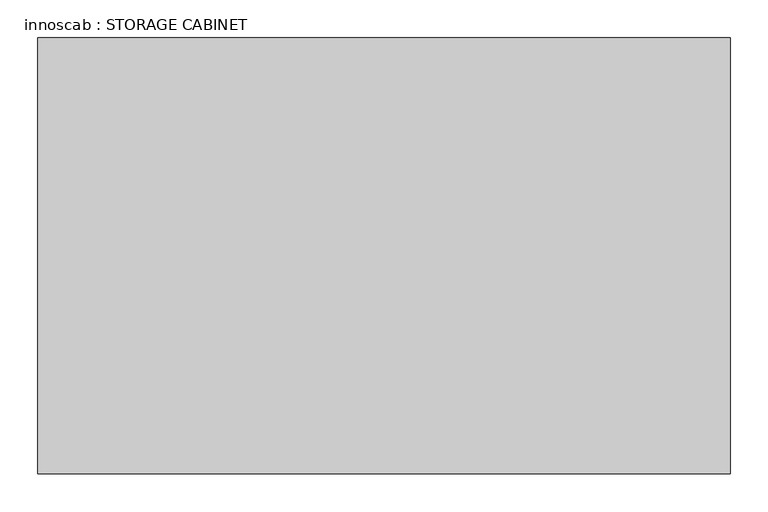
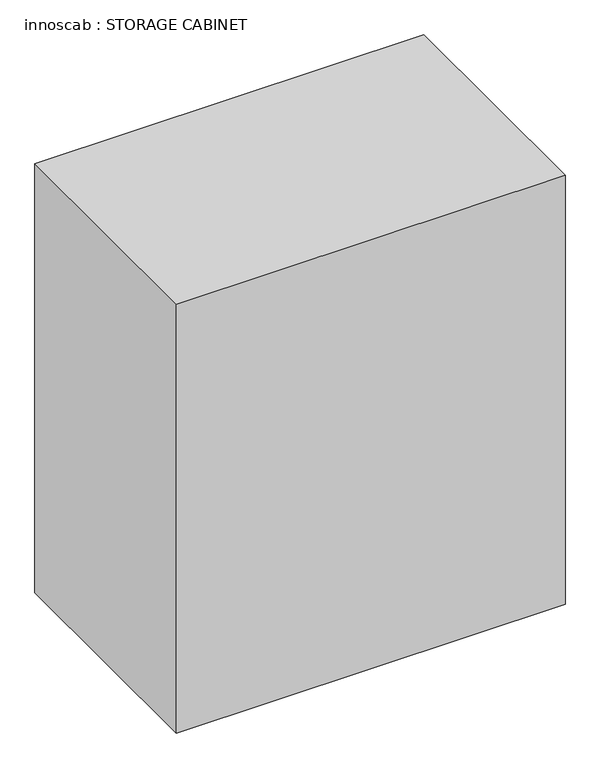
"""IFC4 building model written with IfcOpenShell, lengths in millimetres: proxy geometry, innoscab : STORAGE CABINET."""

from ifc_helpers import new_model, si_unit, frame, origin, place, context, project, spatial, polyline, outline, extrude, source, transform, mapped, element, save


def innoscab_storage_cabinet_d9680545(model_context):
    return source(origin(), model_context, "Body", "SweptSolid", [
        extrude(outline(polyline([(0.0, 457.2), (1066.8, 457.2), (1066.8, -457.2), (0.0, -457.2), (0.0, 0.0), (0.0, 457.2)])), frame((0.0, -575.4341584, 0.0), z_axis=(0.0, 1.0, 0.0), x_axis=(0.0, 0.0, 1.0)), (0.0, 0.0, 1.0), 575.4341584),
    ])


if __name__ == "__main__":
    model = new_model("IFC4")
    model_context = context("Model", 3, world=origin())
    ifc_project = project(units=[si_unit("LENGTHUNIT", "METRE", prefix="MILLI")], contexts=[model_context])
    site = spatial("IfcSite", under=ifc_project)
    building = spatial("IfcBuilding", under=site)
    placement = place(None, origin())
    innoscab_storage_cabinet_shape = innoscab_storage_cabinet_d9680545(model_context)
    element("IfcBuildingElementProxy", 1, Name="innoscab : STORAGE CABINET", ObjectType="innoscab : STORAGE CABINET", at=placement, inside=building, context=model_context, shape_type="MappedRepresentation", body=[
        mapped(innoscab_storage_cabinet_shape, transform((0.0, 0.0, 0.0), x_axis=(1.0, 0.0, 0.0), y_axis=(0.0, 1.0, 0.0), z_axis=(0.0, 0.0, 1.0))),
    ])
    save(model, "model.ifc")
